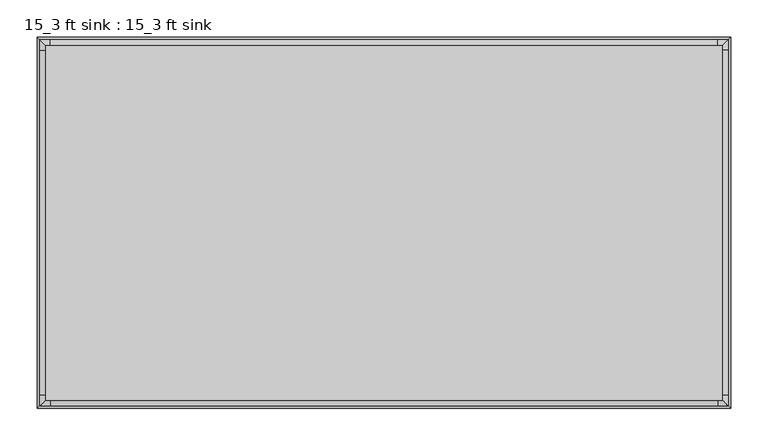
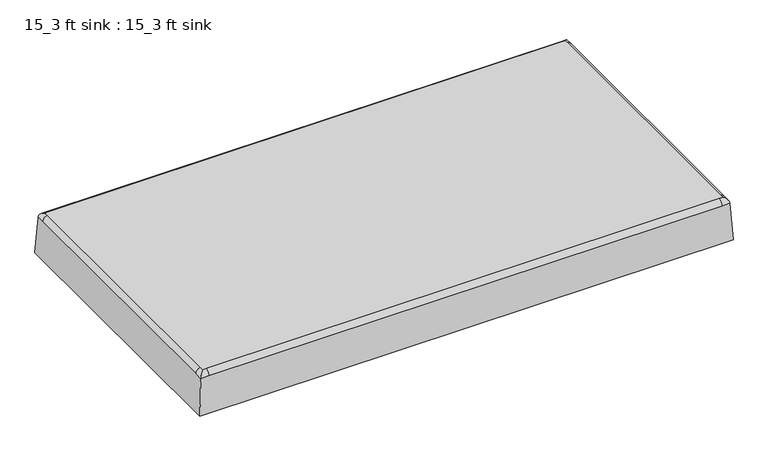
"""IFC4 building model written with IfcOpenShell, lengths in millimetres: flow terminal geometry, 15_3 ft sink : 15_3 ft sink."""

from ifc_helpers import new_model, si_unit, point, frame, origin, place, context, project, spatial, circle_curve, ellipse_curve, trimmed, source, transform, mapped, element, save
from ifc_brep_helpers import plane_surface, cylinder_surface, revolved_surface, advanced_brep


def flow_terminal_15_3_ft_sink_15_3_ft_sink_959d006f(model_context):
    return source(origin(), model_context, "Body", "AdvancedBrep", [
        advanced_brep(
        [(0.0, 0.0, -24.6151249), (19.05, 0.0, -24.6151249), (-19.05, 0.0, -24.6151249), (0.0, 0.0, -21.2560959)],
        [
            (0, 1),
            (1, 2, circle_curve(frame((0.0, 0.0, -24.6151249), z_axis=(0.0, 0.0, -1.0), x_axis=(-1.0, 0.0, 0.0)), 19.05)),
            (2, 0),
            (2, 1, circle_curve(frame((0.0, 0.0, -24.6151249), z_axis=(0.0, 0.0, -1.0), x_axis=(-1.0, 0.0, 0.0)), 19.05)),
            (1, 3, circle_curve(frame((-1.3271597, 0.0, -84.4812662), z_axis=(0.0, -1.0, 0.0), x_axis=(-1.0, 0.0, 0.0)), 63.239098)),
            (3, 2, circle_curve(frame((1.3271597, 0.0, -84.4812662), z_axis=(0.0, -1.0, 0.0), x_axis=(1.0, 0.0, 0.0)), 63.239098)),
        ],
        [
            plane_surface(frame((0.0, 0.0, -24.6151249), z_axis=(0.0, 0.0, -1.0), x_axis=(-1.0, 0.0, 0.0))),
            revolved_surface(trimmed(ellipse_curve(frame((1.3271597, 0.0, -84.4812662), z_axis=(0.0, -1.0, 0.0), x_axis=(1.0, 0.0, 0.0)), 63.239098, 63.239098), [point((0.0, 0.0, -21.2560959))], [point((-19.05, 0.0, -24.6151249))], True, "CARTESIAN"), (0.0, 0.0, -21.2560959), (0.0, 0.0, -1.0)),
        ],
        [
            (0, [[1, 2, 3]]),
            (0, [[-3, 4, -1]]),
            (1, [[5, 6, -2]]),
            (1, [[-6, -5, -4]]),
        ],
    ),
        advanced_brep(
        [(-453.9517953, -238.0517953, 75.7066623), (-447.531684, -238.0517953, 75.7066623), (447.5371962, -238.0517953, 75.7066623), (453.9517953, -238.0517953, 75.7066623), (453.9517953, -231.6371962, 75.7066623), (453.9517953, 231.631684, 75.7066623), (453.9517953, 238.0517953, 75.7066623), (447.531684, 238.0517953, 75.7066623), (-447.5261719, 238.0517953, 75.7066623), (-453.9517953, 238.0517953, 75.7066623), (-453.9517953, 231.6261719, 75.7066623), (-453.9517953, -231.631684, 75.7066623), (-465.1014794, -249.2014794, 0.0), (-465.1014794, 249.2014794, 0.0), (465.1014794, 249.2014794, 0.0), (465.1014794, -249.2014794, 0.0), (-461.6220512, -245.7220512, 66.3914457), (-461.6220512, -231.631684, 66.3914457), (461.6220512, -245.7220512, 66.3914457), (447.5371962, -245.7220512, 66.3914457), (-447.531684, -245.7220512, 66.3914457), (461.6220512, 245.7220512, 66.3914457), (461.6220512, 231.631684, 66.3914457), (461.6220512, -231.6371962, 66.3914457), (-461.6220512, 245.7220512, 66.3914457), (-447.5261719, 245.7220512, 66.3914457), (447.531684, 245.7220512, 66.3914457), (-461.6220512, 231.6261719, 66.3914457)],
        [
            (0, 1),
            (1, 2),
            (2, 3),
            (3, 4),
            (4, 5),
            (5, 6),
            (6, 7),
            (7, 8),
            (8, 9),
            (9, 10),
            (10, 11),
            (11, 0),
            (12, 13),
            (13, 14),
            (14, 15),
            (15, 12),
            (16, 0, ellipse_curve(frame((-452.1304456, -236.2304456, 66.3914457), z_axis=(-0.7071067811865454, 0.7071067811865497, 0.0), x_axis=(-0.7071067811865496, -0.7071067811865454, 0.0)), 13.4231573, 9.4916055)),
            (11, 17, circle_curve(frame((-452.1304456, -231.631684, 66.3914457), z_axis=(0.0, -1.0, 0.0), x_axis=(1.0, 0.0, 0.0)), 9.4916055)),
            (17, 16),
            (16, 12),
            (15, 18),
            (18, 19),
            (19, 20),
            (20, 16),
            (20, 1, circle_curve(frame((-447.531684, -236.2304456, 66.3914457), z_axis=(-1.0, 0.0, 0.0), x_axis=(0.0, 1.0, 0.0)), 9.4916055)),
            (19, 2, circle_curve(frame((447.5371962, -236.2304456, 66.3914457), z_axis=(-1.0, 0.0, 0.0), x_axis=(0.0, 1.0, 0.0)), 9.4916055)),
            (18, 3, ellipse_curve(frame((452.1304456, -236.2304456, 66.3914457), z_axis=(-0.707106781186551, -0.7071067811865439, 0.0), x_axis=(0.7071067811865441, -0.7071067811865509, 0.0)), 13.4231573, 9.4916055)),
            (14, 21),
            (21, 22),
            (22, 23),
            (23, 18),
            (23, 4, circle_curve(frame((452.1304456, -231.6371962, 66.3914457), z_axis=(0.0, -1.0, 0.0), x_axis=(-1.0, 0.0, 0.0)), 9.4916055)),
            (22, 5, circle_curve(frame((452.1304456, 231.631684, 66.3914457), z_axis=(0.0, -1.0, 0.0), x_axis=(-1.0, 0.0, 0.0)), 9.4916055)),
            (21, 6, ellipse_curve(frame((452.1304456, 236.2304456, 66.3914457), z_axis=(0.7071067811865488, -0.7071067811865462, 0.0), x_axis=(0.7071067811865462, 0.7071067811865488, 0.0)), 13.4231573, 9.4916055)),
            (13, 24),
            (24, 25),
            (25, 26),
            (26, 21),
            (26, 7, circle_curve(frame((447.531684, 236.2304456, 66.3914457), z_axis=(1.0, 0.0, 0.0), x_axis=(0.0, -1.0, 0.0)), 9.4916055)),
            (25, 8, circle_curve(frame((-447.5261719, 236.2304456, 66.3914457), z_axis=(1.0, 0.0, 0.0), x_axis=(0.0, -1.0, 0.0)), 9.4916055)),
            (24, 9, ellipse_curve(frame((-452.1304456, 236.2304456, 66.3914457), z_axis=(0.7071067811865516, 0.7071067811865434, 0.0), x_axis=(-0.7071067811865435, 0.7071067811865515, 0.0)), 13.4231573, 9.4916055)),
            (17, 27),
            (27, 24),
            (27, 10, circle_curve(frame((-452.1304456, 231.6261719, 66.3914457), z_axis=(0.0, 1.0, 0.0), x_axis=(1.0, 0.0, 0.0)), 9.4916055)),
        ],
        [
            plane_surface(frame((-552.45, -274.206744, 75.7066623), z_axis=(0.0, 0.0, 1.0), x_axis=(0.0, 1.0, 0.0))),
            plane_surface(frame((-552.45, -274.206744, 0.0), z_axis=(0.0, 0.0, -1.0), x_axis=(0.0, -1.0, 0.0))),
            cylinder_surface(frame((-452.1304456, -231.631684, 66.3914457), z_axis=(0.0, -1.0, 0.0), x_axis=(1.0, 0.0, 0.0)), 9.4916055),
            plane_surface(frame((-465.1014794, -249.2014794, 0.0), z_axis=(0.0, -0.998629534754574, 0.052335956242942315), x_axis=(1.0, 0.0, 0.0))),
            cylinder_surface(frame((-464.9886719, -236.2304456, 66.3914457), z_axis=(1.0, 0.0, 0.0), x_axis=(0.0, 1.0, 0.0)), 9.4916055),
            cylinder_surface(frame((-447.531684, -236.2304456, 66.3914457), z_axis=(1.0, 0.0, 0.0), x_axis=(0.0, 1.0, 0.0)), 9.4916055),
            cylinder_surface(frame((447.5371962, -236.2304456, 66.3914457), z_axis=(1.0, 0.0, 0.0), x_axis=(0.0, 1.0, 0.0)), 9.4916055),
            plane_surface(frame((465.1014794, -249.2014794, 0.0), z_axis=(0.998629534754574, 0.0, 0.05233595624294231), x_axis=(0.0, 1.0, 0.0))),
            cylinder_surface(frame((452.1304456, -249.0886719, 66.3914457), z_axis=(0.0, 1.0, 0.0), x_axis=(-1.0, 0.0, 0.0)), 9.4916055),
            cylinder_surface(frame((452.1304456, -231.6371962, 66.3914457), z_axis=(0.0, 1.0, 0.0), x_axis=(-1.0, 0.0, 0.0)), 9.4916055),
            cylinder_surface(frame((452.1304456, 231.631684, 66.3914457), z_axis=(0.0, 1.0, 0.0), x_axis=(-1.0, 0.0, 0.0)), 9.4916055),
            plane_surface(frame((465.1014794, 249.2014794, 0.0), z_axis=(0.0, 0.998629534754574, 0.05233595624294231), x_axis=(-1.0, 0.0, 0.0))),
            cylinder_surface(frame((464.9886719, 236.2304456, 66.3914457), z_axis=(-1.0, 0.0, 0.0), x_axis=(0.0, -1.0, 0.0)), 9.4916055),
            cylinder_surface(frame((447.531684, 236.2304456, 66.3914457), z_axis=(-1.0, 0.0, 0.0), x_axis=(0.0, -1.0, 0.0)), 9.4916055),
            cylinder_surface(frame((-447.5261719, 236.2304456, 66.3914457), z_axis=(-1.0, 0.0, 0.0), x_axis=(0.0, -1.0, 0.0)), 9.4916055),
            plane_surface(frame((-465.1014794, 249.2014794, 0.0), z_axis=(-0.998629534754574, 0.0, 0.05233595624294231), x_axis=(0.0, -1.0, 0.0))),
            cylinder_surface(frame((-452.1304456, 249.0886719, 66.3914457), z_axis=(0.0, -1.0, 0.0), x_axis=(1.0, 0.0, 0.0)), 9.4916055),
            cylinder_surface(frame((-452.1304456, 231.6261719, 66.3914457), z_axis=(0.0, -1.0, 0.0), x_axis=(1.0, 0.0, 0.0)), 9.4916055),
        ],
        [
            (0, [[1, 2, 3, 4, 5, 6, 7, 8, 9, 10, 11, 12]]),
            (1, [[13, 14, 15, 16]]),
            (2, [[17, -12, 18, 19]]),
            (3, [[20, -16, 21, 22, 23, 24]]),
            (4, [[25, -1, -17, -24]]),
            (5, [[26, -2, -25, -23]]),
            (6, [[27, -3, -26, -22]]),
            (7, [[-15, 28, 29, 30, 31, -21]]),
            (8, [[32, -4, -27, -31]]),
            (9, [[33, -5, -32, -30]]),
            (10, [[34, -6, -33, -29]]),
            (11, [[-14, 35, 36, 37, 38, -28]]),
            (12, [[39, -7, -34, -38]]),
            (13, [[40, -8, -39, -37]]),
            (14, [[41, -9, -40, -36]]),
            (15, [[42, 43, -35, -13, -20, -19]]),
            (16, [[44, -10, -41, -43]]),
            (17, [[-18, -11, -44, -42]]),
        ],
    ),
    ])


if __name__ == "__main__":
    model = new_model("IFC4")
    model_context = context("Model", 3, world=origin())
    ifc_project = project(units=[si_unit("LENGTHUNIT", "METRE", prefix="MILLI")], contexts=[model_context])
    site = spatial("IfcSite", under=ifc_project)
    building = spatial("IfcBuilding", under=site)
    placement = place(None, origin())
    flow_terminal_15_3_ft_sink_15_3_ft_sink_shape = flow_terminal_15_3_ft_sink_15_3_ft_sink_959d006f(model_context)
    element("IfcFlowTerminal", 1, ObjectType="15_3 ft sink : 15_3 ft sink", at=placement, inside=building, context=model_context, shape_type="MappedRepresentation", body=[
        mapped(flow_terminal_15_3_ft_sink_15_3_ft_sink_shape, transform((0.0, 0.0, 0.0), x_axis=(1.0, 0.0, 0.0), y_axis=(0.0, 1.0, 0.0), z_axis=(0.0, 0.0, 1.0))),
    ])
    save(model, "model.ifc")
